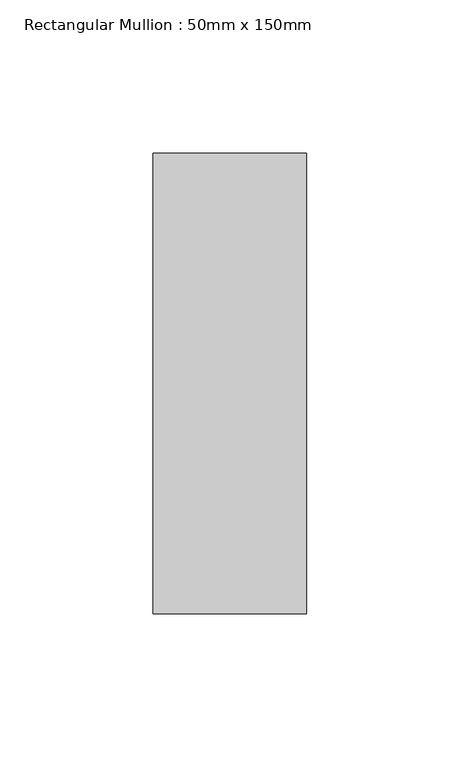
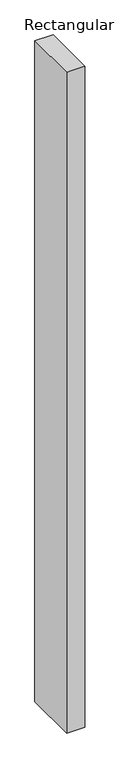
"""IFC4 building model written with IfcOpenShell, lengths in millimetres: member geometry, Rectangular Mullion : 50mm x 150mm."""

from ifc_helpers import new_model, si_unit, frame, origin, place, context, project, spatial, polyline, outline, extrude, source, transform, mapped, element, save


def rectangular_mullion_50mm_x_150mm_1f15f3cb(model_context):
    return source(origin(), model_context, "Body", "SweptSolid", [
        extrude(outline(polyline([(0.0, 75.0), (0.0, -75.0), (-50.0, -75.0), (-50.0, 75.0), (0.0, 75.0)])), frame((0.0, 0.0, -1911.1365175), z_axis=(0.0, 0.0, 1.0), x_axis=(1.0, 0.0, 0.0)), (0.0, 0.0, 1.0), 1911.1365175),
    ])


if __name__ == "__main__":
    model = new_model("IFC4")
    model_context = context("Model", 3, world=origin())
    ifc_project = project(units=[si_unit("LENGTHUNIT", "METRE", prefix="MILLI")], contexts=[model_context])
    site = spatial("IfcSite", under=ifc_project)
    building = spatial("IfcBuilding", under=site)
    placement = place(None, origin())
    rectangular_mullion_50mm_x_150mm_shape = rectangular_mullion_50mm_x_150mm_1f15f3cb(model_context)
    element("IfcMember", 1, ObjectType="Rectangular Mullion : 50mm x 150mm", at=placement, inside=building, context=model_context, shape_type="MappedRepresentation", body=[
        mapped(rectangular_mullion_50mm_x_150mm_shape, transform((0.0, 0.0, 0.0), x_axis=(1.0, 0.0, 0.0), y_axis=(0.0, 1.0, 0.0), z_axis=(0.0, 0.0, 1.0))),
    ])
    save(model, "model.ifc")
